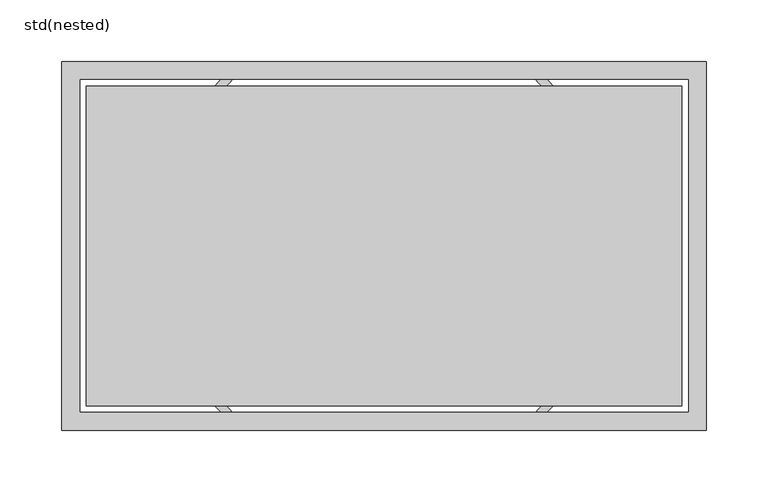
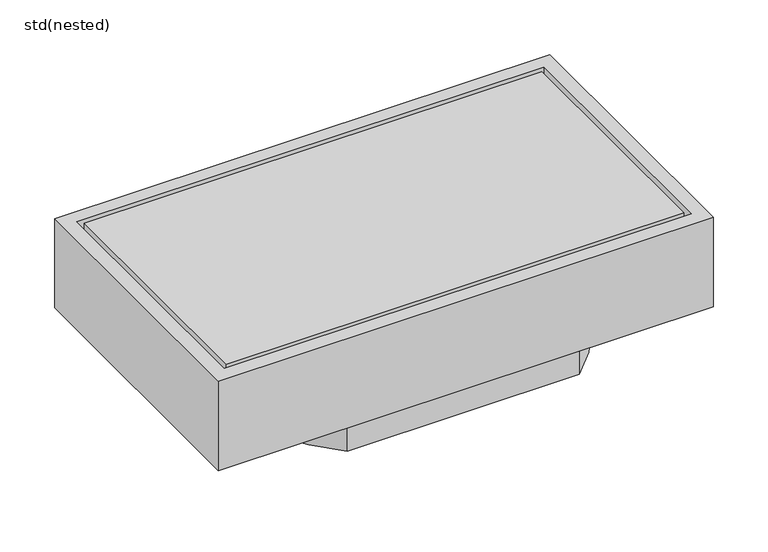
"""IFC4 building model written with IfcOpenShell, lengths in millimetres: sanitary terminal geometry, std(nested)."""

from ifc_helpers import new_model, si_unit, point, frame, origin, origin_2d, place, context, project, spatial, polyline, circle_curve, trimmed, segment, composite_curve, outline, extrude, source, transform, mapped, element, save


def std_nested_61db1926(model_context):
    return source(origin(), model_context, "Body", "SweptSolid", [
        extrude(outline(composite_curve([segment(trimmed(circle_curve(origin_2d(), 190.0), [point((-122.7802916, -145.0))], [point((-122.7802916, 145.0))], False, "CARTESIAN"), True, "CONTINUOUS"), segment(polyline([(-122.7802916, 145.0), (122.7802916, 145.0)]), True, "CONTINUOUS"), segment(trimmed(circle_curve(origin_2d(), 190.0), [point((122.7802916, 145.0))], [point((122.7802916, -145.0))], False, "CARTESIAN"), True, "CONTINUOUS"), segment(polyline([(122.7802916, -145.0), (-122.7802916, -145.0)]), True, "CONTINUOUS")], self_intersect=False), holes=[composite_curve([segment(polyline([(-120.1873537, -138.0), (120.1873537, -138.0)]), True, "CONTINUOUS"), segment(trimmed(circle_curve(origin_2d(), 183.0), [point((120.1873537, -138.0))], [point((120.1873537, 138.0))], True, "CARTESIAN"), True, "CONTINUOUS"), segment(polyline([(120.1873537, 138.0), (-120.1873537, 138.0)]), True, "CONTINUOUS"), segment(trimmed(circle_curve(origin_2d(), 183.0), [point((-120.1873537, 138.0))], [point((-120.1873537, -138.0))], True, "CARTESIAN"), True, "CONTINUOUS")], self_intersect=False)]), frame((0.0, 0.0, -130.0), z_axis=(0.0, 0.0, 1.0), x_axis=(1.0, 0.0, 0.0)), (0.0, 0.0, 1.0), 30.0),
        extrude(outline(polyline([(262.0, 150.0), (262.0, -150.0), (-262.0, -150.0), (-262.0, 150.0), (262.0, 150.0)]), holes=[polyline([(247.0, 135.0), (-247.0, 135.0), (-247.0, -135.0), (247.0, -135.0), (247.0, 135.0)])]), frame((0.0, 0.0, -100.0), z_axis=(0.0, 0.0, 1.0), x_axis=(1.0, 0.0, 0.0)), (0.0, 0.0, 1.0), 100.0),
        extrude(outline(polyline([(242.0, 130.0), (242.0, -130.0), (-242.0, -130.0), (-242.0, 130.0), (242.0, 130.0)])), frame((0.0, 0.0, -100.0), z_axis=(0.0, 0.0, 1.0), x_axis=(1.0, 0.0, 0.0)), (0.0, 0.0, 1.0), 100.0),
    ])


if __name__ == "__main__":
    model = new_model("IFC4")
    model_context = context("Model", 3, world=origin())
    ifc_project = project(units=[si_unit("LENGTHUNIT", "METRE", prefix="MILLI")], contexts=[model_context])
    site = spatial("IfcSite", under=ifc_project)
    building = spatial("IfcBuilding", under=site)
    placement = place(None, origin())
    std_nested_shape = std_nested_61db1926(model_context)
    element("IfcSanitaryTerminal", 1, ObjectType="std(nested)", at=placement, inside=building, context=model_context, shape_type="MappedRepresentation", body=[
        mapped(std_nested_shape, transform((0.0, 0.0, 0.0), x_axis=(1.0, 0.0, 0.0), y_axis=(0.0, 1.0, 0.0), z_axis=(0.0, 0.0, 1.0))),
    ])
    save(model, "model.ifc")
